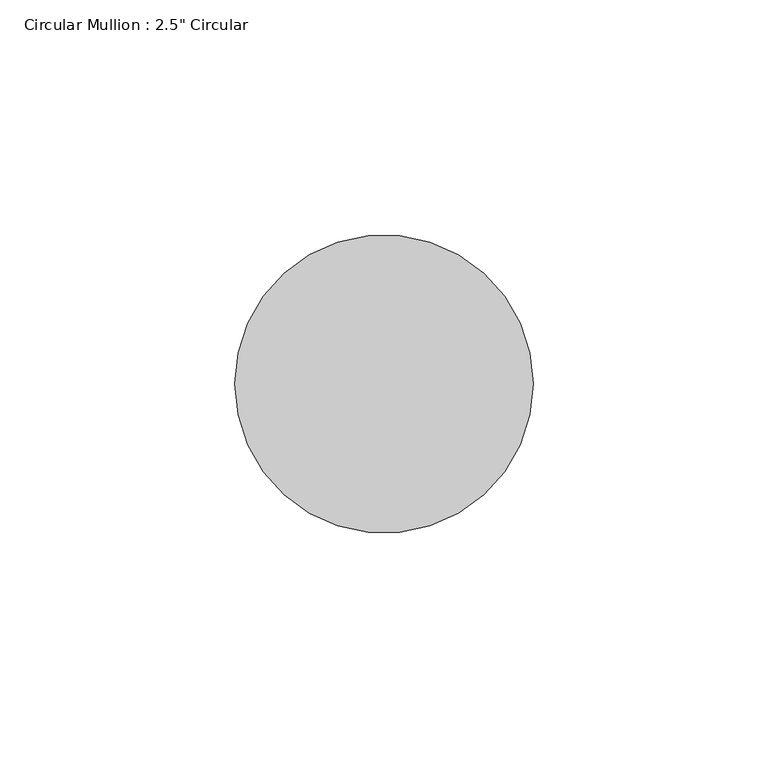
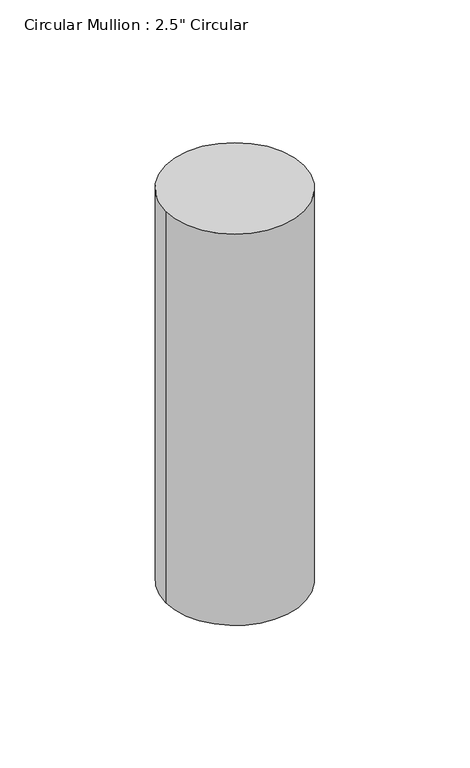
"""IFC4 building model written with IfcOpenShell, lengths in millimetres: member geometry."""

from ifc_helpers import new_model, si_unit, point, frame, frame_2d, origin, place, context, project, spatial, circle_curve, trimmed, segment, composite_curve, outline, extrude, source, transform, mapped, element, save


def member_ac47c9f4(model_context):
    return source(origin(), model_context, "Body", "SweptSolid", [
        extrude(outline(composite_curve([segment(trimmed(circle_curve(frame_2d((-31.75, 0.0)), 31.75), [point((0.0, 0.0))], [point((-63.5, 0.0))], False, "CARTESIAN"), True, "CONTINUOUS"), segment(trimmed(circle_curve(frame_2d((-31.75, 0.0)), 31.75), [point((-63.5, 0.0))], [point((0.0, 0.0))], False, "CARTESIAN"), True, "CONTINUOUS")], self_intersect=False)), frame((0.0, 0.0, -190.0), z_axis=(0.0, 0.0, 1.0), x_axis=(1.0, 0.0, 0.0)), (0.0, 0.0, 1.0), 190.0),
    ])


if __name__ == "__main__":
    model = new_model("IFC4")
    model_context = context("Model", 3, world=origin())
    ifc_project = project(units=[si_unit("LENGTHUNIT", "METRE", prefix="MILLI")], contexts=[model_context])
    site = spatial("IfcSite", under=ifc_project)
    building = spatial("IfcBuilding", under=site)
    placement = place(None, origin())
    member_shape = member_ac47c9f4(model_context)
    element("IfcMember", 1, ObjectType="Circular Mullion : 2.5\" Circular", at=placement, inside=building, context=model_context, shape_type="MappedRepresentation", body=[
        mapped(member_shape, transform((0.0, 0.0, 0.0), x_axis=(1.0, 0.0, 0.0), y_axis=(0.0, 1.0, 0.0), z_axis=(0.0, 0.0, 1.0))),
    ])
    save(model, "model.ifc")
